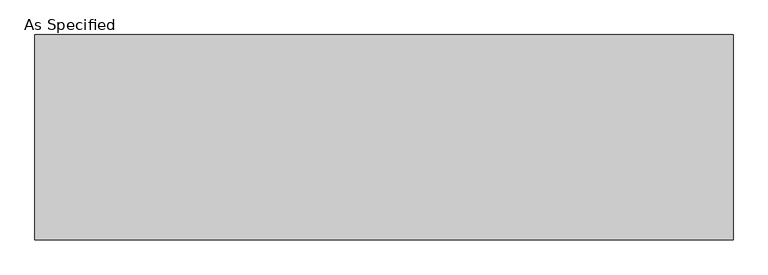
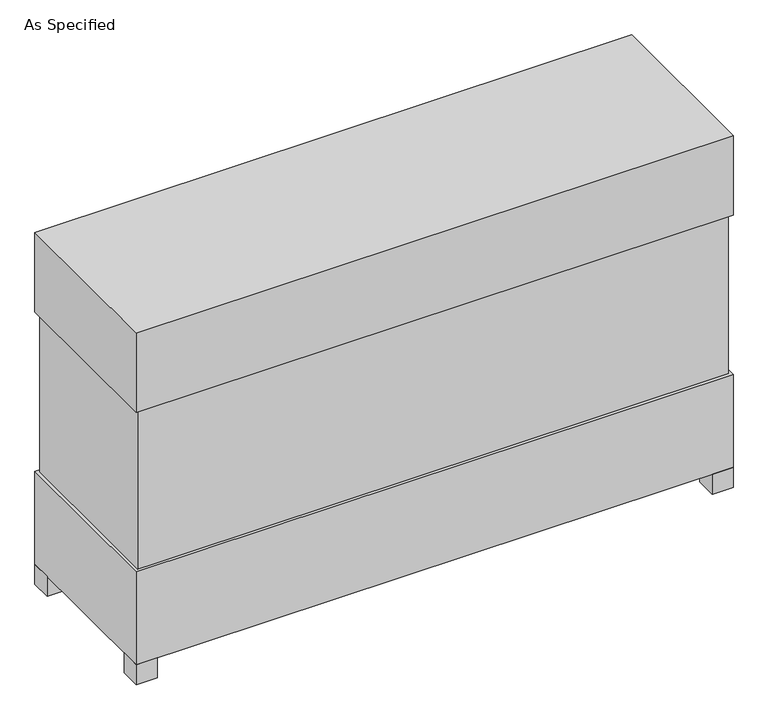
"""IFC4 building model written with IfcOpenShell, lengths in millimetres: proxy geometry, As Specified."""

import ifcopenshell
import ifcopenshell.guid

model = None  # the IFC model being written
_history = None  # IfcOwnerHistory: only IFC2X3 demands one
_inside = {}  # id of a spatial element -> (the spatial element, [elements in it])
_under = {}  # id of a project, library or spatial element -> (it, [spatial elements below it])
_declared = {}  # id of a project -> (the project, [libraries it declares])
_typed = {}  # id of a type object -> (the type object, [elements of that type])
_made_of = {}  # id of a material, layer set ... -> (it, [elements and type objects made of it])


def new_model(schema):
    """Start an empty IFC model of exactly this schema.

    Asked for "IFC4X3", IfcOpenShell would pick the latest addendum, in which some entities
    have other attributes; the version numbers below select the first issue.
    IFC2X3 requires an IfcOwnerHistory on every rooted entity: one is made here for all.
    """
    global model, _history
    if schema == "IFC4X3":
        model = ifcopenshell.file(schema_version=(4, 3, 0, 0))
    else:
        model = ifcopenshell.file(schema=schema)
    _inside.clear()
    _under.clear()
    _declared.clear()
    _typed.clear()
    _made_of.clear()
    _history = None
    if model.schema == "IFC2X3":
        org = make("IfcOrganization", Name="unknown")
        user = make(
            "IfcPersonAndOrganization",
            ThePerson=make("IfcPerson", FamilyName="unknown"),
            TheOrganization=org,
        )
        app = make(
            "IfcApplication",
            ApplicationDeveloper=org,
            Version="unknown",
            ApplicationFullName="unknown",
            ApplicationIdentifier="unknown",
        )
        _history = make(
            "IfcOwnerHistory",
            OwningUser=user,
            OwningApplication=app,
            ChangeAction="ADDED",
            CreationDate=0,
        )
    return model


def make(cls, **values):
    """One entity of the class cls with the attributes given. An attribute that is None is left unset."""
    return model.create_entity(
        cls, **{name: value for name, value in values.items() if value is not None}
    )


def rooted(cls, **values):
    """An entity with a GlobalId (a new one), such as an element, a storey or a relation."""
    return make(cls, GlobalId=ifcopenshell.guid.new(), OwnerHistory=_history, **values)


def si_unit(unit_type, name, prefix=None):
    """IfcSIUnit, for example si_unit("LENGTHUNIT", "METRE", prefix="MILLI")."""
    return make("IfcSIUnit", UnitType=unit_type, Prefix=prefix, Name=name)


def assignment(units):
    """IfcUnitAssignment: the units of a project."""
    return None if units is None else make("IfcUnitAssignment", Units=units)


def point(xyz):
    """IfcCartesianPoint."""
    return None if xyz is None else make("IfcCartesianPoint", Coordinates=xyz)


def direction(xyz):
    """IfcDirection."""
    return None if xyz is None else make("IfcDirection", DirectionRatios=xyz)


def frame(location, z_axis=None, x_axis=None):
    """IfcAxis2Placement3D, a coordinate frame: its origin and axes. An axis left out is left unset."""
    return make(
        "IfcAxis2Placement3D",
        Location=point(location),
        Axis=direction(z_axis),
        RefDirection=direction(x_axis),
    )


def origin():
    """The frame at (0, 0, 0) with its axes left unset."""
    return frame((0.0, 0.0, 0.0))


def origin_with_axes():
    """The frame at (0, 0, 0) with the z axis (0, 0, 1) and the x axis (1, 0, 0) written out."""
    return frame((0.0, 0.0, 0.0), z_axis=(0.0, 0.0, 1.0), x_axis=(1.0, 0.0, 0.0))


def place(relative_to, where):
    """IfcLocalPlacement: puts the frame where relative to a parent placement (None: the world)."""
    return make(
        "IfcLocalPlacement", PlacementRelTo=relative_to, RelativePlacement=where
    )


def context(
    kind, dimensions, precision=None, world=None, true_north=None, identifier=None
):
    """IfcGeometricRepresentationContext, for example the 3D "Model" context."""
    return make(
        "IfcGeometricRepresentationContext",
        ContextIdentifier=identifier,
        ContextType=kind,
        CoordinateSpaceDimension=dimensions,
        Precision=precision,
        WorldCoordinateSystem=world,
        TrueNorth=true_north,
    )


def project(units=None, contexts=None):
    """IfcProject with its units and contexts."""
    return rooted(
        "IfcProject",
        Name="project",
        RepresentationContexts=contexts,
        UnitsInContext=assignment(units),
    )


def spatial(cls, under=None, at=None, **own):
    """A site, building, storey or space (cls), placed at a placement, below another one or the project."""
    s = rooted(cls, ObjectPlacement=at, **own)
    if under is not None:
        _under.setdefault(under.id(), (under, []))[1].append(s)
    return s


def polyline(points):
    """IfcPolyline through the points."""
    return make("IfcPolyline", Points=[point(p) for p in points])


def outline(outer, holes=None, kind="AREA"):
    """IfcArbitraryClosedProfileDef: a profile drawn as a closed curve; with holes, ...WithVoids."""
    if holes is None:
        return make("IfcArbitraryClosedProfileDef", ProfileType=kind, OuterCurve=outer)
    return make(
        "IfcArbitraryProfileDefWithVoids",
        ProfileType=kind,
        OuterCurve=outer,
        InnerCurves=holes,
    )


def extrude(swept, where, along, depth):
    """IfcExtrudedAreaSolid: the profile swept, set in the frame where, extruded along a direction by depth."""
    return make(
        "IfcExtrudedAreaSolid",
        SweptArea=swept,
        Position=where,
        ExtrudedDirection=direction(along),
        Depth=depth,
    )


def shape(context_of_items, identifier, shape_type, items):
    """IfcShapeRepresentation: the items that make up one representation, for example the "Body"."""
    return make(
        "IfcShapeRepresentation",
        ContextOfItems=context_of_items,
        RepresentationIdentifier=identifier,
        RepresentationType=shape_type,
        Items=items,
    )


def source(mapping_origin, context_of_items, identifier, shape_type, items):
    """IfcRepresentationMap: a shape defined once, which mapped items show again and again."""
    return make(
        "IfcRepresentationMap",
        MappingOrigin=mapping_origin,
        MappedRepresentation=shape(context_of_items, identifier, shape_type, items),
    )


def transform(
    local_origin,
    x_axis=None,
    y_axis=None,
    z_axis=None,
    scale=None,
    scale2=None,
    scale3=None,
    uniform=True,
):
    """IfcCartesianTransformationOperator3D, or its non-uniform kind. x_axis, y_axis, z_axis: its Axis1, 2, 3."""
    if uniform:
        return make(
            "IfcCartesianTransformationOperator3D",
            Axis1=direction(x_axis),
            Axis2=direction(y_axis),
            LocalOrigin=point(local_origin),
            Scale=scale,
            Axis3=direction(z_axis),
        )
    return make(
        "IfcCartesianTransformationOperator3DnonUniform",
        Axis1=direction(x_axis),
        Axis2=direction(y_axis),
        LocalOrigin=point(local_origin),
        Scale=scale,
        Axis3=direction(z_axis),
        Scale2=scale2,
        Scale3=scale3,
    )


def mapped(mapping_source, mapping_target):
    """IfcMappedItem: shows the shape of a source again, moved by a transform."""
    return make(
        "IfcMappedItem", MappingSource=mapping_source, MappingTarget=mapping_target
    )


def made_of(thing, what):
    """Note that an element or type object is made of a material, layer set ...; save() writes the relation."""
    if what is not None:
        _made_of.setdefault(what.id(), (what, []))[1].append(thing)
    return thing


def element(
    cls,
    number,
    at=None,
    inside=None,
    cuts=None,
    type_object=None,
    material=None,
    context=None,
    identifier="Body",
    shape_type=None,
    held_by="IfcProductDefinitionShape",
    body=None,
    shapes=None,
    **own,
):
    """One element of the class cls, such as IfcWall. Its Tag is "e" and its number.

    at: its placement. inside: the storey or other place that contains it. cuts: it is an
    opening in that element (IfcRelVoidsElement). A single representation is given by context,
    identifier, shape_type and body (its items); several are given by shapes. held_by: the class
    of the entity that holds the representations. save() writes the other relations.
    """
    e = rooted(cls, Tag="e%d" % number, ObjectPlacement=at, **own)
    if body is not None:
        shapes = [shape(context, identifier, shape_type, body)]
    if shapes is not None:
        e.Representation = make(held_by, Representations=shapes)
    if inside is not None:
        _inside.setdefault(inside.id(), (inside, []))[1].append(e)
    if cuts is not None:
        rooted(
            "IfcRelVoidsElement", RelatingBuildingElement=cuts, RelatedOpeningElement=e
        )
    if type_object is not None:
        _typed.setdefault(type_object.id(), (type_object, []))[1].append(e)
    return made_of(e, material)


def aggregate(whole, parts):
    """IfcRelAggregates: a whole, such as a stair, and the parts it consists of."""
    return rooted("IfcRelAggregates", RelatingObject=whole, RelatedObjects=parts)


def save(model, path):
    """Write the relations noted so far, then the file.

    IfcRelAggregates (storeys below a building ...), IfcRelContainedInSpatialStructure (elements
    in a storey), IfcRelDefinesByType, IfcRelAssociatesMaterial and IfcRelDeclares: one each for
    every whole, place, type object, material and project.
    """
    for whole, parts in _under.values():
        aggregate(whole, parts)
    for where, things in _inside.values():
        rooted(
            "IfcRelContainedInSpatialStructure",
            RelatedElements=things,
            RelatingStructure=where,
        )
    for kind, things in _typed.values():
        rooted("IfcRelDefinesByType", RelatedObjects=things, RelatingType=kind)
    for what, things in _made_of.values():
        rooted("IfcRelAssociatesMaterial", RelatedObjects=things, RelatingMaterial=what)
    for by, libraries in _declared.values():
        rooted("IfcRelDeclares", RelatingContext=by, RelatedDefinitions=libraries)
    model.write(path)


def as_specified_a825323b(model_context):
    return source(origin(), model_context, "Body", "SweptSolid", [
        extrude(outline(polyline([(1068.3875, 306.3875), (1068.3875, -306.3875), (-1068.3875, -306.3875), (-1068.3875, 306.3875), (1068.3875, 306.3875)])), frame((0.0, 0.0, 431.8), z_axis=(0.0, 0.0, 1.0), x_axis=(1.0, 0.0, 0.0)), (0.0, 0.0, 1.0), 609.6),
        extrude(outline(polyline([(1079.5, 317.5), (1079.5, -317.5), (-1079.5, -317.5), (-1079.5, 317.5), (1079.5, 317.5)])), frame((0.0, 0.0, 1041.4), z_axis=(0.0, 0.0, 1.0), x_axis=(1.0, 0.0, 0.0)), (0.0, 0.0, 1.0), 304.8),
        extrude(outline(polyline([(965.2, 228.6), (965.2, 152.4), (889.0, 152.4), (889.0, 228.6), (965.2, 228.6)])), frame((0.0, 0.0, 50.8), z_axis=(0.0, 0.0, 1.0), x_axis=(1.0, 0.0, 0.0)), (0.0, 0.0, 1.0), 25.4),
        extrude(outline(polyline([(965.2, -228.6), (889.0, -228.6), (889.0, -152.4), (965.2, -152.4), (965.2, -228.6)])), frame((0.0, 0.0, 50.8), z_axis=(0.0, 0.0, 1.0), x_axis=(1.0, 0.0, 0.0)), (0.0, 0.0, 1.0), 25.4),
        extrude(outline(polyline([(-1003.3, 317.5), (-1003.3, 241.3), (-1079.5, 241.3), (-1079.5, 317.5), (-1003.3, 317.5)])), origin_with_axes(), (0.0, 0.0, 1.0), 76.2),
        extrude(outline(polyline([(1079.5, 317.5), (1079.5, 241.3), (1003.3, 241.3), (1003.3, 317.5), (1079.5, 317.5)])), origin_with_axes(), (0.0, 0.0, 1.0), 76.2),
        extrude(outline(polyline([(1079.5, -241.3), (1079.5, -317.5), (1003.3, -317.5), (1003.3, -241.3), (1079.5, -241.3)])), origin_with_axes(), (0.0, 0.0, 1.0), 76.2),
        extrude(outline(polyline([(-1003.3, -241.3), (-1003.3, -317.5), (-1079.5, -317.5), (-1079.5, -241.3), (-1003.3, -241.3)])), origin_with_axes(), (0.0, 0.0, 1.0), 76.2),
        extrude(outline(polyline([(1079.5, 317.5), (1079.5, -317.5), (-1079.5, -317.5), (-1079.5, 317.5), (1079.5, 317.5)])), frame((0.0, 0.0, 76.2), z_axis=(0.0, 0.0, 1.0), x_axis=(1.0, 0.0, 0.0)), (0.0, 0.0, 1.0), 355.6),
    ])


if __name__ == "__main__":
    model = new_model("IFC4")
    model_context = context("Model", 3, world=origin())
    ifc_project = project(units=[si_unit("LENGTHUNIT", "METRE", prefix="MILLI")], contexts=[model_context])
    site = spatial("IfcSite", under=ifc_project)
    building = spatial("IfcBuilding", under=site)
    placement = place(None, origin())
    as_specified_shape = as_specified_a825323b(model_context)
    element("IfcBuildingElementProxy", 1, Name="As Specified", ObjectType="As Specified", at=placement, inside=building, context=model_context, shape_type="MappedRepresentation", body=[
        mapped(as_specified_shape, transform((0.0, 0.0, 0.0), x_axis=(1.0, 0.0, 0.0), y_axis=(0.0, 1.0, 0.0), z_axis=(0.0, 0.0, 1.0))),
    ])
    save(model, "model.ifc")
